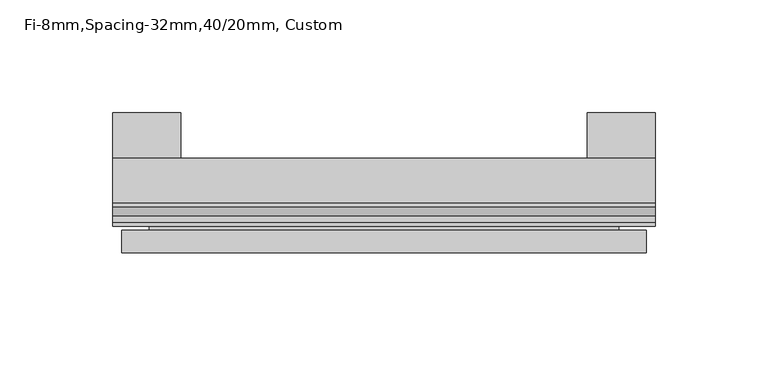
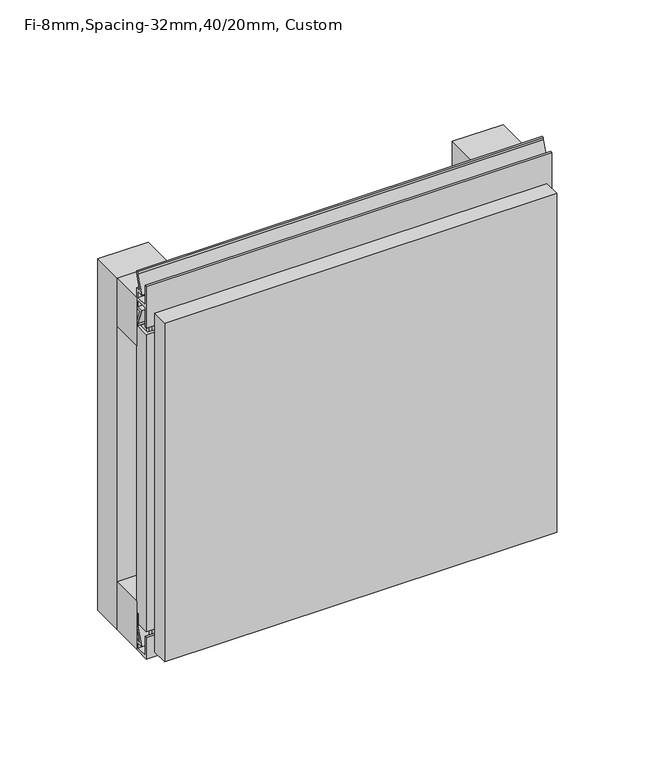
"""IFC4 building model written with IfcOpenShell, lengths in millimetres: plate geometry, Fi-8mm,Spacing-32mm,40/20mm, Custom."""

from ifc_helpers import new_model, si_unit, frame, origin, origin_with_axes, place, context, project, spatial, polyline, outline, extrude, faceted_brep, source, transform, mapped, element, save


def fi_8mm_spacing_32mm_40_20mm_custom_a39f4a0d(model_context):
    return source(origin(), model_context, "Body", "SolidModel", [
        extrude(outline(polyline([(-120.0, -40.0), (-120.0, -20.0), (120.0, -20.0), (120.0, -40.0), (-120.0, -40.0)])), frame((0.0, 0.0, 190.0), z_axis=(0.0, 0.0, 1.0), x_axis=(1.0, 0.0, 0.0)), (0.0, 0.0, 1.0), 30.0),
        extrude(outline(polyline([(-120.0, -40.0), (-120.0, -20.0), (120.0, -20.0), (120.0, -40.0), (-120.0, -40.0)])), origin_with_axes(), (0.0, 0.0, 1.0), 30.0),
        extrude(outline(polyline([(90.0, 0.0), (120.0, 0.0), (120.0, -20.0), (90.0, -20.0), (90.0, 0.0)])), origin_with_axes(), (0.0, 0.0, 1.0), 220.0),
        extrude(outline(polyline([(-90.0, 0.0), (-90.0, -20.0), (-120.0, -20.0), (-120.0, 0.0), (-90.0, 0.0)])), origin_with_axes(), (0.0, 0.0, 1.0), 220.0),
        extrude(outline(polyline([(-40.0, 6.299084), (-40.0, 0.0), (-50.1, 0.0), (-50.1, 13.4156807), (-48.7, 13.4156807), (-48.7, 1.4156807), (-41.4, 1.4156807), (-41.4, 4.899084), (-45.5140545, 4.899084), (-41.4553267, 15.5703394), (-41.4553267, 22.991548), (-40.0553267, 22.991548), (-40.0553267, 15.3558599), (-43.5, 6.299084), (-40.0, 6.299084)])), frame((-120.0, 0.0, 0.0), z_axis=(1.0, 0.0, 0.0), x_axis=(0.0, 1.0, 0.0)), (0.0, 0.0, 1.0), 240.0),
        extrude(outline(polyline([(-113.700916, -40.0), (-113.700916, -43.5), (-104.6441401, -40.0553267), (-97.008452, -40.0553267), (-97.008452, -41.4553267), (-104.4296606, -41.4553267), (-115.100916, -45.5140545), (-115.100916, -41.4), (-118.5843193, -41.4), (-118.5843193, -48.7), (-106.5843193, -48.7), (-106.5843193, -50.1), (-120.0, -50.1), (-120.0, -40.0), (-113.700916, -40.0)])), frame((0.0, 0.0, 16.9558599), z_axis=(0.0, 0.0, 1.0), x_axis=(1.0, 0.0, 0.0)), (0.0, 0.0, 1.0), 186.0882802),
        extrude(outline(polyline([(-48.7, 220.899084), (-41.4, 220.899084), (-41.4, 224.899084), (-45.5140545, 224.899084), (-41.4553267, 235.5703394), (-41.4553267, 236.9558599), (-40.0553267, 236.9558599), (-40.0553267, 235.3558599), (-43.5, 226.299084), (-40.0, 226.299084), (-40.0, 213.700916), (-43.5, 213.700916), (-40.0553267, 204.6441401), (-40.0553267, 203.0441401), (-41.4553267, 203.0441401), (-41.4553267, 204.4296606), (-45.5140545, 215.100916), (-41.4, 215.100916), (-41.4, 219.100916), (-48.7, 219.100916), (-48.7, 207.100916), (-50.1, 207.100916), (-50.1, 232.899084), (-48.7, 232.899084), (-48.7, 220.899084)])), frame((-120.0, 0.0, 0.0), z_axis=(1.0, 0.0, 0.0), x_axis=(0.0, 1.0, 0.0)), (0.0, 0.0, 1.0), 240.0),
        faceted_brep([(116.0, -45.9, 216.0), (-116.0, -45.9, 216.0), (-116.0, -48.7, 216.0), (116.0, -48.7, 216.0), (-116.0, -61.9, 216.0), (116.0, -61.9, 216.0), (116.0, -51.9, 216.0), (-116.0, -51.9, 216.0), (-116.0, -45.9, 4.0), (116.0, -45.9, 4.0), (116.0, -48.7, 4.0), (-116.0, -48.7, 4.0), (116.0, -61.9, 4.0), (-116.0, -61.9, 4.0), (-116.0, -51.9, 4.0), (116.0, -51.9, 4.0), (104.0, -51.9, 204.0), (104.0, -51.9, 16.0), (104.0, -48.7, 16.0), (104.0, -48.7, 204.0), (-104.0, -51.9, 16.0), (-104.0, -48.7, 16.0), (-104.0, -51.9, 204.0), (-104.0, -48.7, 204.0)], [[[0, 1, 2, 3]], [[4, 5, 6, 7]], [[8, 9, 10, 11]], [[12, 13, 14, 15]], [[1, 0, 9, 8]], [[1, 8, 11, 2]], [[13, 4, 7, 14]], [[5, 4, 13, 12]], [[9, 0, 3, 10]], [[5, 12, 15, 6]], [[16, 17, 18, 19]], [[18, 17, 20, 21]], [[21, 20, 22, 23]], [[16, 19, 23, 22]], [[7, 6, 15, 14], [17, 16, 22, 20]], [[3, 2, 11, 10], [19, 18, 21, 23]]]),
    ])


if __name__ == "__main__":
    model = new_model("IFC4")
    model_context = context("Model", 3, world=origin())
    ifc_project = project(units=[si_unit("LENGTHUNIT", "METRE", prefix="MILLI")], contexts=[model_context])
    site = spatial("IfcSite", under=ifc_project)
    building = spatial("IfcBuilding", under=site)
    placement = place(None, origin())
    fi_8mm_spacing_32mm_40_20mm_custom_shape = fi_8mm_spacing_32mm_40_20mm_custom_a39f4a0d(model_context)
    element("IfcPlate", 1, ObjectType="Fi-8mm,Spacing-32mm,40/20mm, Custom", at=placement, inside=building, context=model_context, shape_type="MappedRepresentation", body=[
        mapped(fi_8mm_spacing_32mm_40_20mm_custom_shape, transform((0.0, 0.0, 0.0), x_axis=(1.0, 0.0, 0.0), y_axis=(0.0, 1.0, 0.0), z_axis=(0.0, 0.0, 1.0))),
    ])
    save(model, "model.ifc")
